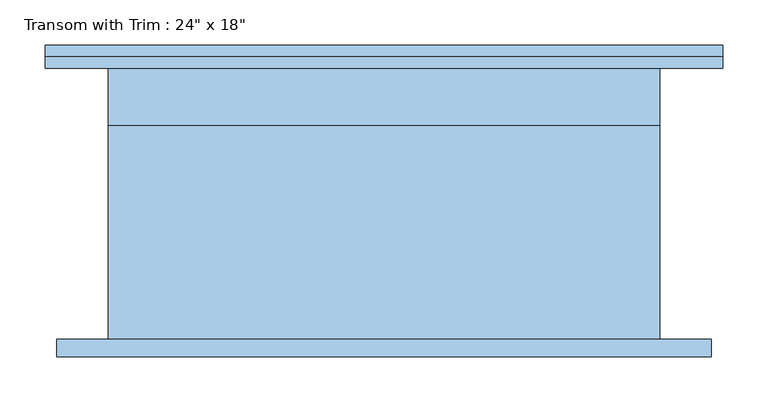
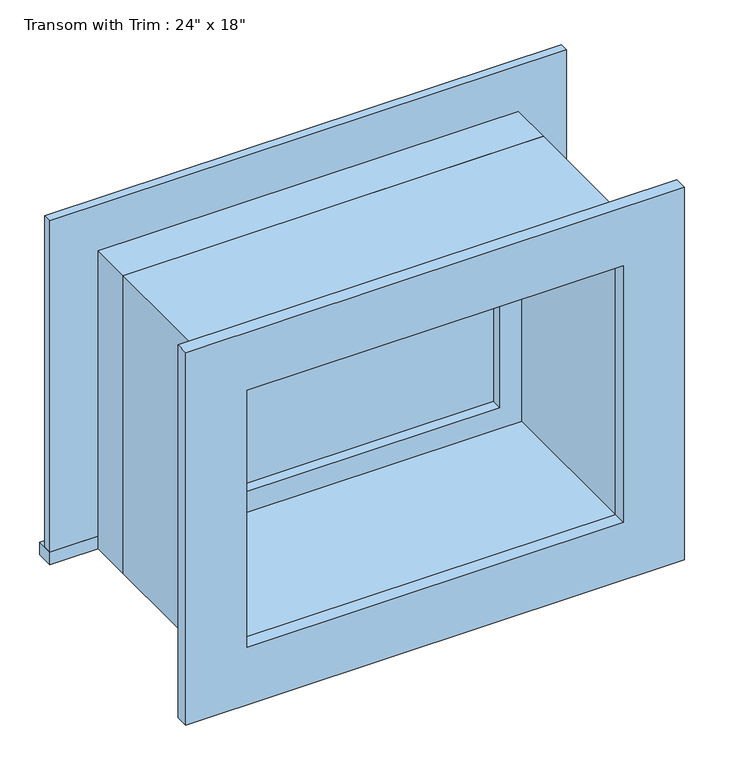
"""IFC4 building model written with IfcOpenShell, lengths in millimetres: window geometry."""

import ifcopenshell
import ifcopenshell.guid

model = None  # the IFC model being written
_history = None  # IfcOwnerHistory: only IFC2X3 demands one
_inside = {}  # id of a spatial element -> (the spatial element, [elements in it])
_under = {}  # id of a project, library or spatial element -> (it, [spatial elements below it])
_declared = {}  # id of a project -> (the project, [libraries it declares])
_typed = {}  # id of a type object -> (the type object, [elements of that type])
_made_of = {}  # id of a material, layer set ... -> (it, [elements and type objects made of it])


def new_model(schema):
    """Start an empty IFC model of exactly this schema.

    Asked for "IFC4X3", IfcOpenShell would pick the latest addendum, in which some entities
    have other attributes; the version numbers below select the first issue.
    IFC2X3 requires an IfcOwnerHistory on every rooted entity: one is made here for all.
    """
    global model, _history
    if schema == "IFC4X3":
        model = ifcopenshell.file(schema_version=(4, 3, 0, 0))
    else:
        model = ifcopenshell.file(schema=schema)
    _inside.clear()
    _under.clear()
    _declared.clear()
    _typed.clear()
    _made_of.clear()
    _history = None
    if model.schema == "IFC2X3":
        org = make("IfcOrganization", Name="unknown")
        user = make(
            "IfcPersonAndOrganization",
            ThePerson=make("IfcPerson", FamilyName="unknown"),
            TheOrganization=org,
        )
        app = make(
            "IfcApplication",
            ApplicationDeveloper=org,
            Version="unknown",
            ApplicationFullName="unknown",
            ApplicationIdentifier="unknown",
        )
        _history = make(
            "IfcOwnerHistory",
            OwningUser=user,
            OwningApplication=app,
            ChangeAction="ADDED",
            CreationDate=0,
        )
    return model


def make(cls, **values):
    """One entity of the class cls with the attributes given. An attribute that is None is left unset."""
    return model.create_entity(
        cls, **{name: value for name, value in values.items() if value is not None}
    )


def rooted(cls, **values):
    """An entity with a GlobalId (a new one), such as an element, a storey or a relation."""
    return make(cls, GlobalId=ifcopenshell.guid.new(), OwnerHistory=_history, **values)


def si_unit(unit_type, name, prefix=None):
    """IfcSIUnit, for example si_unit("LENGTHUNIT", "METRE", prefix="MILLI")."""
    return make("IfcSIUnit", UnitType=unit_type, Prefix=prefix, Name=name)


def assignment(units):
    """IfcUnitAssignment: the units of a project."""
    return None if units is None else make("IfcUnitAssignment", Units=units)


def point(xyz):
    """IfcCartesianPoint."""
    return None if xyz is None else make("IfcCartesianPoint", Coordinates=xyz)


def direction(xyz):
    """IfcDirection."""
    return None if xyz is None else make("IfcDirection", DirectionRatios=xyz)


def frame(location, z_axis=None, x_axis=None):
    """IfcAxis2Placement3D, a coordinate frame: its origin and axes. An axis left out is left unset."""
    return make(
        "IfcAxis2Placement3D",
        Location=point(location),
        Axis=direction(z_axis),
        RefDirection=direction(x_axis),
    )


def origin():
    """The frame at (0, 0, 0) with its axes left unset."""
    return frame((0.0, 0.0, 0.0))


def place(relative_to, where):
    """IfcLocalPlacement: puts the frame where relative to a parent placement (None: the world)."""
    return make(
        "IfcLocalPlacement", PlacementRelTo=relative_to, RelativePlacement=where
    )


def context(
    kind, dimensions, precision=None, world=None, true_north=None, identifier=None
):
    """IfcGeometricRepresentationContext, for example the 3D "Model" context."""
    return make(
        "IfcGeometricRepresentationContext",
        ContextIdentifier=identifier,
        ContextType=kind,
        CoordinateSpaceDimension=dimensions,
        Precision=precision,
        WorldCoordinateSystem=world,
        TrueNorth=true_north,
    )


def project(units=None, contexts=None):
    """IfcProject with its units and contexts."""
    return rooted(
        "IfcProject",
        Name="project",
        RepresentationContexts=contexts,
        UnitsInContext=assignment(units),
    )


def spatial(cls, under=None, at=None, **own):
    """A site, building, storey or space (cls), placed at a placement, below another one or the project."""
    s = rooted(cls, ObjectPlacement=at, **own)
    if under is not None:
        _under.setdefault(under.id(), (under, []))[1].append(s)
    return s


def polyline(points):
    """IfcPolyline through the points."""
    return make("IfcPolyline", Points=[point(p) for p in points])


def outline(outer, holes=None, kind="AREA"):
    """IfcArbitraryClosedProfileDef: a profile drawn as a closed curve; with holes, ...WithVoids."""
    if holes is None:
        return make("IfcArbitraryClosedProfileDef", ProfileType=kind, OuterCurve=outer)
    return make(
        "IfcArbitraryProfileDefWithVoids",
        ProfileType=kind,
        OuterCurve=outer,
        InnerCurves=holes,
    )


def extrude(swept, where, along, depth):
    """IfcExtrudedAreaSolid: the profile swept, set in the frame where, extruded along a direction by depth."""
    return make(
        "IfcExtrudedAreaSolid",
        SweptArea=swept,
        Position=where,
        ExtrudedDirection=direction(along),
        Depth=depth,
    )


def shape(context_of_items, identifier, shape_type, items):
    """IfcShapeRepresentation: the items that make up one representation, for example the "Body"."""
    return make(
        "IfcShapeRepresentation",
        ContextOfItems=context_of_items,
        RepresentationIdentifier=identifier,
        RepresentationType=shape_type,
        Items=items,
    )


def source(mapping_origin, context_of_items, identifier, shape_type, items):
    """IfcRepresentationMap: a shape defined once, which mapped items show again and again."""
    return make(
        "IfcRepresentationMap",
        MappingOrigin=mapping_origin,
        MappedRepresentation=shape(context_of_items, identifier, shape_type, items),
    )


def transform(
    local_origin,
    x_axis=None,
    y_axis=None,
    z_axis=None,
    scale=None,
    scale2=None,
    scale3=None,
    uniform=True,
):
    """IfcCartesianTransformationOperator3D, or its non-uniform kind. x_axis, y_axis, z_axis: its Axis1, 2, 3."""
    if uniform:
        return make(
            "IfcCartesianTransformationOperator3D",
            Axis1=direction(x_axis),
            Axis2=direction(y_axis),
            LocalOrigin=point(local_origin),
            Scale=scale,
            Axis3=direction(z_axis),
        )
    return make(
        "IfcCartesianTransformationOperator3DnonUniform",
        Axis1=direction(x_axis),
        Axis2=direction(y_axis),
        LocalOrigin=point(local_origin),
        Scale=scale,
        Axis3=direction(z_axis),
        Scale2=scale2,
        Scale3=scale3,
    )


def mapped(mapping_source, mapping_target):
    """IfcMappedItem: shows the shape of a source again, moved by a transform."""
    return make(
        "IfcMappedItem", MappingSource=mapping_source, MappingTarget=mapping_target
    )


def made_of(thing, what):
    """Note that an element or type object is made of a material, layer set ...; save() writes the relation."""
    if what is not None:
        _made_of.setdefault(what.id(), (what, []))[1].append(thing)
    return thing


def element(
    cls,
    number,
    at=None,
    inside=None,
    cuts=None,
    type_object=None,
    material=None,
    context=None,
    identifier="Body",
    shape_type=None,
    held_by="IfcProductDefinitionShape",
    body=None,
    shapes=None,
    **own,
):
    """One element of the class cls, such as IfcWall. Its Tag is "e" and its number.

    at: its placement. inside: the storey or other place that contains it. cuts: it is an
    opening in that element (IfcRelVoidsElement). A single representation is given by context,
    identifier, shape_type and body (its items); several are given by shapes. held_by: the class
    of the entity that holds the representations. save() writes the other relations.
    """
    e = rooted(cls, Tag="e%d" % number, ObjectPlacement=at, **own)
    if body is not None:
        shapes = [shape(context, identifier, shape_type, body)]
    if shapes is not None:
        e.Representation = make(held_by, Representations=shapes)
    if inside is not None:
        _inside.setdefault(inside.id(), (inside, []))[1].append(e)
    if cuts is not None:
        rooted(
            "IfcRelVoidsElement", RelatingBuildingElement=cuts, RelatedOpeningElement=e
        )
    if type_object is not None:
        _typed.setdefault(type_object.id(), (type_object, []))[1].append(e)
    return made_of(e, material)


def aggregate(whole, parts):
    """IfcRelAggregates: a whole, such as a stair, and the parts it consists of."""
    return rooted("IfcRelAggregates", RelatingObject=whole, RelatedObjects=parts)


def save(model, path):
    """Write the relations noted so far, then the file.

    IfcRelAggregates (storeys below a building ...), IfcRelContainedInSpatialStructure (elements
    in a storey), IfcRelDefinesByType, IfcRelAssociatesMaterial and IfcRelDeclares: one each for
    every whole, place, type object, material and project.
    """
    for whole, parts in _under.values():
        aggregate(whole, parts)
    for where, things in _inside.values():
        rooted(
            "IfcRelContainedInSpatialStructure",
            RelatedElements=things,
            RelatingStructure=where,
        )
    for kind, things in _typed.values():
        rooted("IfcRelDefinesByType", RelatedObjects=things, RelatingType=kind)
    for what, things in _made_of.values():
        rooted("IfcRelAssociatesMaterial", RelatedObjects=things, RelatingMaterial=what)
    for by, libraries in _declared.values():
        rooted("IfcRelDeclares", RelatingContext=by, RelatedDefinitions=libraries)
    model.write(path)


def window_4d66f070(model_context):
    return source(origin(), model_context, "Body", "SweptSolid", [
        extrude(outline(polyline([(-412.75, 175.4), (336.55, 175.4), (336.55, 150.0), (-412.75, 150.0), (-412.75, 175.4)])), frame((0.0, 0.0, 2159.0), z_axis=(0.0, 0.0, 1.0), x_axis=(1.0, 0.0, 0.0)), (0.0, 0.0, 1.0), 19.05),
        extrude(outline(polyline([(2597.15, -323.85), (2597.15, 247.65), (2178.05, 247.65), (2178.05, 336.55), (2686.05, 336.55), (2686.05, -412.75), (2178.05, -412.75), (2178.05, -323.85), (2597.15, -323.85)])), frame((0.0, 150.0, 0.0), z_axis=(0.0, 1.0, 0.0), x_axis=(0.0, 0.0, 1.0)), (0.0, 0.0, 1.0), 12.7),
        extrude(outline(polyline([(2673.35, 323.85), (2673.35, -400.05), (2101.85, -400.05), (2101.85, 323.85), (2673.35, 323.85)]), holes=[polyline([(2584.45, 234.95), (2190.75, 234.95), (2190.75, -311.15), (2584.45, -311.15), (2584.45, 234.95)])]), frame((0.0, -169.05, 0.0), z_axis=(0.0, 1.0, 0.0), x_axis=(0.0, 0.0, 1.0)), (0.0, 0.0, 1.0), 19.05),
        extrude(outline(polyline([(203.2, 102.375), (-279.4, 102.375), (-279.4, 115.075), (203.2, 115.075), (203.2, 102.375)])), frame((0.0, 0.0, 2222.5), z_axis=(0.0, 0.0, 1.0), x_axis=(1.0, 0.0, 0.0)), (0.0, 0.0, 1.0), 330.2),
        extrude(outline(polyline([(2597.15, -323.85), (2178.05, -323.85), (2178.05, 247.65), (2597.15, 247.65), (2597.15, -323.85)]), holes=[polyline([(2552.7, -279.4), (2552.7, 203.2), (2222.5, 203.2), (2222.5, -279.4), (2552.7, -279.4)])]), frame((0.0, 86.5, 0.0), z_axis=(0.0, 1.0, 0.0), x_axis=(0.0, 0.0, 1.0)), (0.0, 0.0, 1.0), 44.45),
        extrude(outline(polyline([(2616.2, -342.9), (2159.0, -342.9), (2159.0, 266.7), (2616.2, 266.7), (2616.2, -342.9)]), holes=[polyline([(2584.45, -311.15), (2584.45, 234.95), (2190.75, 234.95), (2190.75, -311.15), (2584.45, -311.15)])]), frame((0.0, -150.0, 0.0), z_axis=(0.0, 1.0, 0.0), x_axis=(0.0, 0.0, 1.0)), (0.0, 0.0, 1.0), 236.5),
        extrude(outline(polyline([(2616.2, 266.7), (2616.2, -342.9), (2159.0, -342.9), (2159.0, 266.7), (2616.2, 266.7)]), holes=[polyline([(2597.15, 247.65), (2178.05, 247.65), (2178.05, -323.85), (2597.15, -323.85), (2597.15, 247.65)])]), frame((0.0, 86.5, 0.0), z_axis=(0.0, 1.0, 0.0), x_axis=(0.0, 0.0, 1.0)), (0.0, 0.0, 1.0), 63.5),
    ])


if __name__ == "__main__":
    model = new_model("IFC4")
    model_context = context("Model", 3, world=origin())
    ifc_project = project(units=[si_unit("LENGTHUNIT", "METRE", prefix="MILLI")], contexts=[model_context])
    site = spatial("IfcSite", under=ifc_project)
    building = spatial("IfcBuilding", under=site)
    placement = place(None, origin())
    window_shape = window_4d66f070(model_context)
    element("IfcWindow", 1, ObjectType="Transom with Trim : 24\" x 18\"", at=placement, inside=building, context=model_context, shape_type="MappedRepresentation", body=[
        mapped(window_shape, transform((0.0, 0.0, 0.0), x_axis=(1.0, 0.0, 0.0), y_axis=(0.0, 1.0, 0.0), z_axis=(0.0, 0.0, 1.0))),
    ])
    save(model, "model.ifc")
